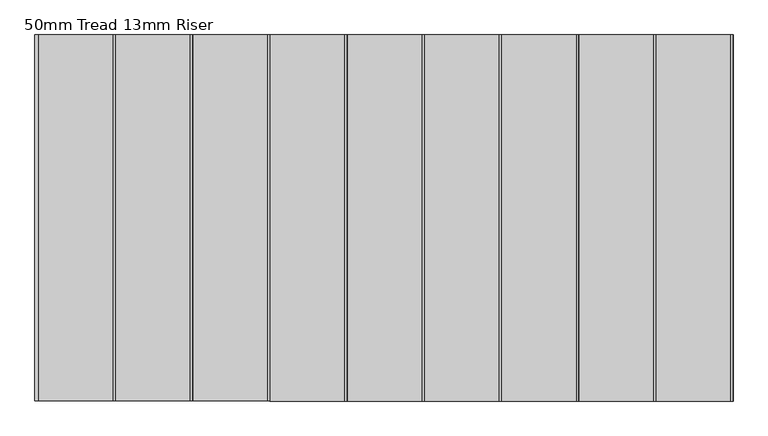
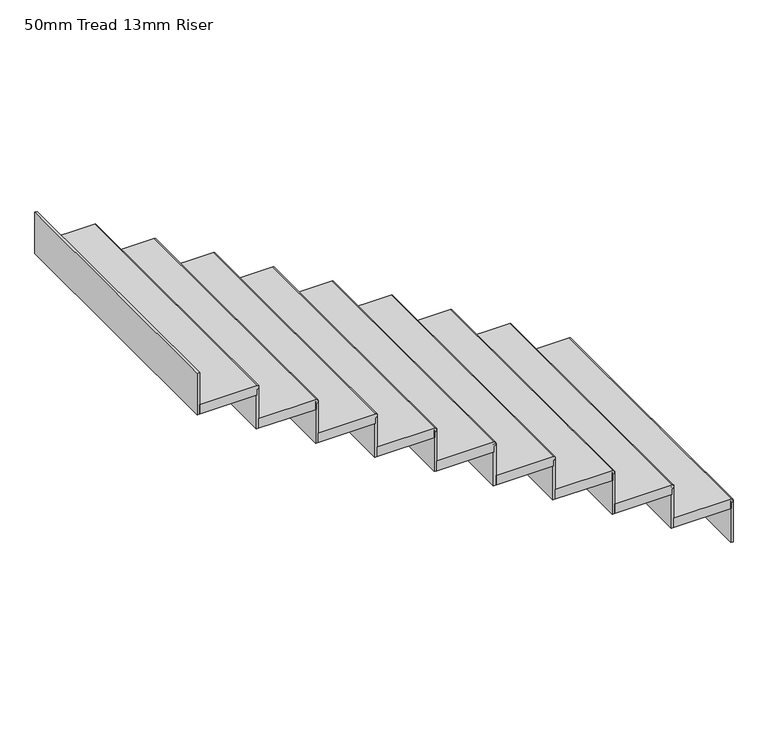
"""IFC4 building model written with IfcOpenShell, lengths in millimetres: stair flight geometry, 50mm Tread 13mm Riser."""

from ifc_helpers import new_model, si_unit, point, frame, frame_2d, origin, place, context, project, spatial, polyline, circle_curve, trimmed, segment, composite_curve, outline, extrude, source, transform, mapped, element, save


def stair_flight_50mm_tread_13mm_riser_e96e313b(model_context):
    return source(origin(), model_context, "Body", "SweptSolid", [
        extrude(outline(composite_curve([segment(polyline([(1925.0, -21140.801725), (1925.0, -21420.801725), (1875.0, -21420.801725), (1875.0, -21140.801725), (1905.0, -21140.801725)]), True, "CONTINUOUS"), segment(trimmed(circle_curve(frame_2d((1915.0, -21140.801725)), 10.0), [point((1905.0, -21140.801725))], [point((1925.0, -21140.801725))], False, "CARTESIAN"), True, "CONTINUOUS")], self_intersect=False)), frame((0.0, 14351.3038348, 0.0), z_axis=(0.0, 1.0, 0.0), x_axis=(0.0, 0.0, 1.0)), (0.0, 0.0, 1.0), 1375.0030518),
        extrude(outline(polyline([(-21143.301725, 15726.3068866), (-21130.801725, 15726.3068866), (-21130.801725, 14351.3038348), (-21143.301725, 14351.3038348), (-21143.301725, 15726.3068866)])), frame((0.0, 0.0, 1700.0), z_axis=(0.0, 0.0, 1.0), x_axis=(1.0, 0.0, 0.0)), (0.0, 0.0, 1.0), 215.0),
        extrude(outline(composite_curve([segment(polyline([(2100.0, -21430.801725), (2100.0, -21710.801725), (2050.0, -21710.801725), (2050.0, -21430.801725), (2080.0, -21430.801725)]), True, "CONTINUOUS"), segment(trimmed(circle_curve(frame_2d((2090.0, -21430.801725)), 10.0), [point((2080.0, -21430.801725))], [point((2100.0, -21430.801725))], False, "CARTESIAN"), True, "CONTINUOUS")], self_intersect=False)), frame((0.0, 14351.3038348, 0.0), z_axis=(0.0, 1.0, 0.0), x_axis=(0.0, 0.0, 1.0)), (0.0, 0.0, 1.0), 1375.0030518),
        extrude(outline(polyline([(-21433.301725, 15726.3068866), (-21420.801725, 15726.3068866), (-21420.801725, 14351.3038348), (-21433.301725, 14351.3038348), (-21433.301725, 15726.3068866)])), frame((0.0, 0.0, 1875.0), z_axis=(0.0, 0.0, 1.0), x_axis=(1.0, 0.0, 0.0)), (0.0, 0.0, 1.0), 215.0),
        extrude(outline(composite_curve([segment(polyline([(2275.0, -21720.801725), (2275.0, -22000.801725), (2225.0, -22000.801725), (2225.0, -21720.801725), (2255.0, -21720.801725)]), True, "CONTINUOUS"), segment(trimmed(circle_curve(frame_2d((2265.0, -21720.801725)), 10.0), [point((2255.0, -21720.801725))], [point((2275.0, -21720.801725))], False, "CARTESIAN"), True, "CONTINUOUS")], self_intersect=False)), frame((0.0, 14351.3038348, 0.0), z_axis=(0.0, 1.0, 0.0), x_axis=(0.0, 0.0, 1.0)), (0.0, 0.0, 1.0), 1375.0030518),
        extrude(outline(polyline([(-21723.301725, 15726.3068866), (-21710.801725, 15726.3068866), (-21710.801725, 14351.3038348), (-21723.301725, 14351.3038348), (-21723.301725, 15726.3068866)])), frame((0.0, 0.0, 2050.0), z_axis=(0.0, 0.0, 1.0), x_axis=(1.0, 0.0, 0.0)), (0.0, 0.0, 1.0), 215.0),
        extrude(outline(composite_curve([segment(polyline([(2450.0, -22010.801725), (2450.0, -22290.801725), (2400.0, -22290.801725), (2400.0, -22010.801725), (2430.0, -22010.801725)]), True, "CONTINUOUS"), segment(trimmed(circle_curve(frame_2d((2440.0, -22010.801725)), 10.0), [point((2430.0, -22010.801725))], [point((2450.0, -22010.801725))], False, "CARTESIAN"), True, "CONTINUOUS")], self_intersect=False)), frame((0.0, 14351.3038348, 0.0), z_axis=(0.0, 1.0, 0.0), x_axis=(0.0, 0.0, 1.0)), (0.0, 0.0, 1.0), 1375.0030518),
        extrude(outline(polyline([(-22013.301725, 15726.3068866), (-22000.801725, 15726.3068866), (-22000.801725, 14351.3038348), (-22013.301725, 14351.3038348), (-22013.301725, 15726.3068866)])), frame((0.0, 0.0, 2225.0), z_axis=(0.0, 0.0, 1.0), x_axis=(1.0, 0.0, 0.0)), (0.0, 0.0, 1.0), 215.0),
        extrude(outline(composite_curve([segment(polyline([(2625.0, -22300.801725), (2625.0, -22580.801725), (2575.0, -22580.801725), (2575.0, -22300.801725), (2605.0, -22300.801725)]), True, "CONTINUOUS"), segment(trimmed(circle_curve(frame_2d((2615.0, -22300.801725)), 10.0), [point((2605.0, -22300.801725))], [point((2625.0, -22300.801725))], False, "CARTESIAN"), True, "CONTINUOUS")], self_intersect=False)), frame((0.0, 14351.3038348, 0.0), z_axis=(0.0, 1.0, 0.0), x_axis=(0.0, 0.0, 1.0)), (0.0, 0.0, 1.0), 1375.0030518),
        extrude(outline(polyline([(-22303.301725, 15726.3068866), (-22290.801725, 15726.3068866), (-22290.801725, 14351.3038348), (-22303.301725, 14351.3038348), (-22303.301725, 15726.3068866)])), frame((0.0, 0.0, 2400.0), z_axis=(0.0, 0.0, 1.0), x_axis=(1.0, 0.0, 0.0)), (0.0, 0.0, 1.0), 215.0),
        extrude(outline(composite_curve([segment(polyline([(2800.0, -22590.801725), (2800.0, -22870.801725), (2750.0, -22870.801725), (2750.0, -22590.801725), (2780.0, -22590.801725)]), True, "CONTINUOUS"), segment(trimmed(circle_curve(frame_2d((2790.0, -22590.801725)), 10.0), [point((2780.0, -22590.801725))], [point((2800.0, -22590.801725))], False, "CARTESIAN"), True, "CONTINUOUS")], self_intersect=False)), frame((0.0, 14351.3038348, 0.0), z_axis=(0.0, 1.0, 0.0), x_axis=(0.0, 0.0, 1.0)), (0.0, 0.0, 1.0), 1375.0030518),
        extrude(outline(polyline([(-22593.301725, 15726.3068866), (-22580.801725, 15726.3068866), (-22580.801725, 14351.3038348), (-22593.301725, 14351.3038348), (-22593.301725, 15726.3068866)])), frame((0.0, 0.0, 2575.0), z_axis=(0.0, 0.0, 1.0), x_axis=(1.0, 0.0, 0.0)), (0.0, 0.0, 1.0), 215.0),
        extrude(outline(composite_curve([segment(polyline([(2975.0, -22880.801725), (2975.0, -23160.801725), (2925.0, -23160.801725), (2925.0, -22880.801725), (2955.0, -22880.801725)]), True, "CONTINUOUS"), segment(trimmed(circle_curve(frame_2d((2965.0, -22880.801725)), 10.0), [point((2955.0, -22880.801725))], [point((2975.0, -22880.801725))], False, "CARTESIAN"), True, "CONTINUOUS")], self_intersect=False)), frame((0.0, 14351.3038348, 0.0), z_axis=(0.0, 1.0, 0.0), x_axis=(0.0, 0.0, 1.0)), (0.0, 0.0, 1.0), 1375.0030518),
        extrude(outline(polyline([(-22883.301725, 15726.3068866), (-22870.801725, 15726.3068866), (-22870.801725, 14351.3038348), (-22883.301725, 14351.3038348), (-22883.301725, 15726.3068866)])), frame((0.0, 0.0, 2750.0), z_axis=(0.0, 0.0, 1.0), x_axis=(1.0, 0.0, 0.0)), (0.0, 0.0, 1.0), 215.0),
        extrude(outline(composite_curve([segment(polyline([(3150.0, -23170.801725), (3150.0, -23450.801725), (3100.0, -23450.801725), (3100.0, -23170.801725), (3130.0, -23170.801725)]), True, "CONTINUOUS"), segment(trimmed(circle_curve(frame_2d((3140.0, -23170.801725)), 10.0), [point((3130.0, -23170.801725))], [point((3150.0, -23170.801725))], False, "CARTESIAN"), True, "CONTINUOUS")], self_intersect=False)), frame((0.0, 14351.3038348, 0.0), z_axis=(0.0, 1.0, 0.0), x_axis=(0.0, 0.0, 1.0)), (0.0, 0.0, 1.0), 1375.0030518),
        extrude(outline(polyline([(-23173.301725, 15726.3068866), (-23160.801725, 15726.3068866), (-23160.801725, 14351.3038348), (-23173.301725, 14351.3038348), (-23173.301725, 15726.3068866)])), frame((0.0, 0.0, 2925.0), z_axis=(0.0, 0.0, 1.0), x_axis=(1.0, 0.0, 0.0)), (0.0, 0.0, 1.0), 215.0),
        extrude(outline(composite_curve([segment(polyline([(3325.0, -23460.801725), (3325.0, -23740.801725), (3275.0, -23740.801725), (3275.0, -23460.801725), (3305.0, -23460.801725)]), True, "CONTINUOUS"), segment(trimmed(circle_curve(frame_2d((3315.0, -23460.801725)), 10.0), [point((3305.0, -23460.801725))], [point((3325.0, -23460.801725))], False, "CARTESIAN"), True, "CONTINUOUS")], self_intersect=False)), frame((0.0, 14351.3038348, 0.0), z_axis=(0.0, 1.0, 0.0), x_axis=(0.0, 0.0, 1.0)), (0.0, 0.0, 1.0), 1375.0030518),
        extrude(outline(polyline([(-23463.301725, 15726.3068866), (-23450.801725, 15726.3068866), (-23450.801725, 14351.3038348), (-23463.301725, 14351.3038348), (-23463.301725, 15726.3068866)])), frame((0.0, 0.0, 3100.0), z_axis=(0.0, 0.0, 1.0), x_axis=(1.0, 0.0, 0.0)), (0.0, 0.0, 1.0), 215.0),
        extrude(outline(polyline([(-23753.301725, 15726.3068866), (-23740.801725, 15726.3068866), (-23740.801725, 14351.3038348), (-23753.301725, 14351.3038348), (-23753.301725, 15726.3068866)])), frame((0.0, 0.0, 3275.0), z_axis=(0.0, 0.0, 1.0), x_axis=(1.0, 0.0, 0.0)), (0.0, 0.0, 1.0), 215.0),
    ])


if __name__ == "__main__":
    model = new_model("IFC4")
    model_context = context("Model", 3, world=origin())
    ifc_project = project(units=[si_unit("LENGTHUNIT", "METRE", prefix="MILLI")], contexts=[model_context])
    site = spatial("IfcSite", under=ifc_project)
    building = spatial("IfcBuilding", under=site)
    placement = place(None, origin())
    stair_flight_50mm_tread_13mm_riser_shape = stair_flight_50mm_tread_13mm_riser_e96e313b(model_context)
    element("IfcStairFlight", 1, ObjectType="50mm Tread 13mm Riser", at=placement, inside=building, context=model_context, shape_type="MappedRepresentation", body=[
        mapped(stair_flight_50mm_tread_13mm_riser_shape, transform((0.0, 0.0, 0.0), x_axis=(1.0, 0.0, 0.0), y_axis=(0.0, 1.0, 0.0), z_axis=(0.0, 0.0, 1.0))),
    ])
    save(model, "model.ifc")
